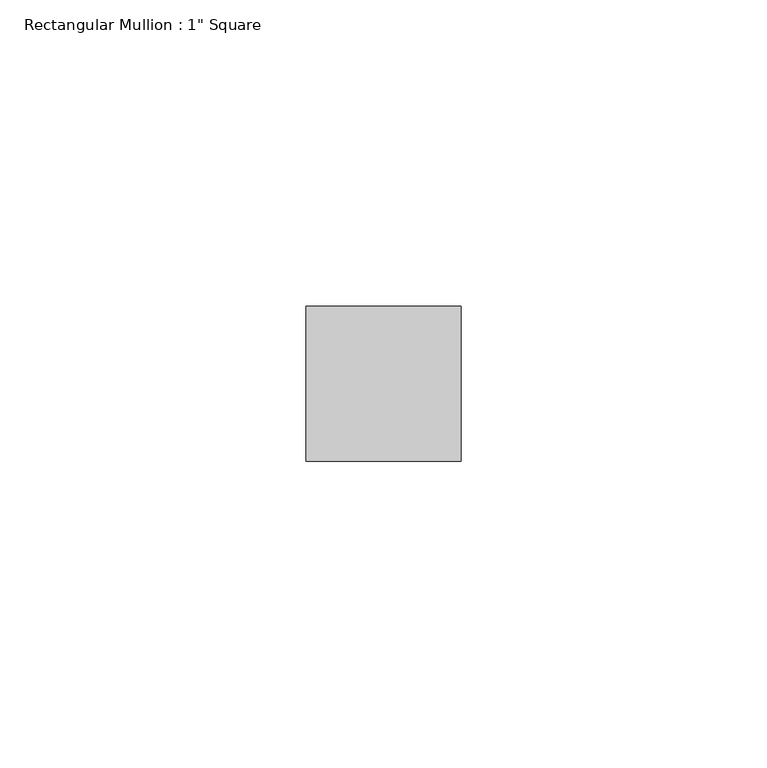
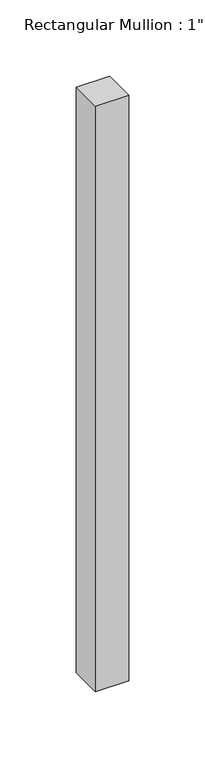
"""IFC4 building model written with IfcOpenShell, lengths in millimetres: member geometry."""

from ifc_helpers import new_model, si_unit, frame, origin, place, context, project, spatial, polyline, outline, extrude, source, transform, mapped, element, save


def member_68d7b224(model_context):
    return source(origin(), model_context, "Body", "SweptSolid", [
        extrude(outline(polyline([(12.7, 12.7), (12.7, -12.7), (-12.7, -12.7), (-12.7, 12.7), (12.7, 12.7)])), frame((0.0, 0.0, -469.9), z_axis=(0.0, 0.0, 1.0), x_axis=(1.0, 0.0, 0.0)), (0.0, 0.0, 1.0), 469.9),
    ])


if __name__ == "__main__":
    model = new_model("IFC4")
    model_context = context("Model", 3, world=origin())
    ifc_project = project(units=[si_unit("LENGTHUNIT", "METRE", prefix="MILLI")], contexts=[model_context])
    site = spatial("IfcSite", under=ifc_project)
    building = spatial("IfcBuilding", under=site)
    placement = place(None, origin())
    member_shape = member_68d7b224(model_context)
    element("IfcMember", 1, ObjectType="Rectangular Mullion : 1\" Square", at=placement, inside=building, context=model_context, shape_type="MappedRepresentation", body=[
        mapped(member_shape, transform((0.0, 0.0, 0.0), x_axis=(1.0, 0.0, 0.0), y_axis=(0.0, 1.0, 0.0), z_axis=(0.0, 0.0, 1.0))),
    ])
    save(model, "model.ifc")
